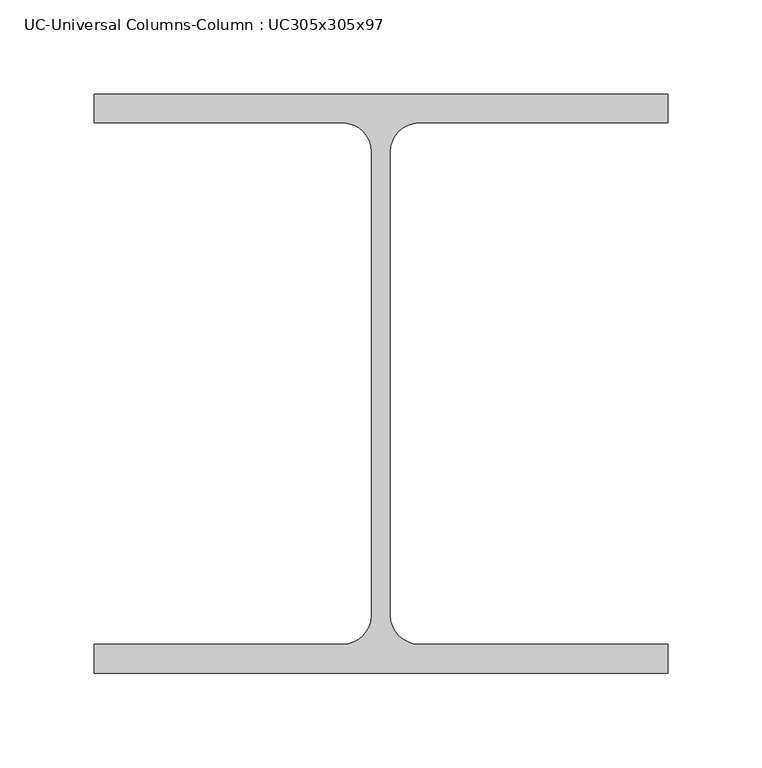
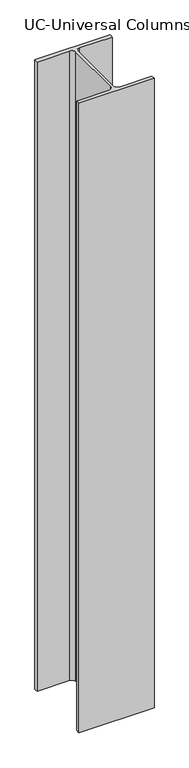
"""IFC4 building model written with IfcOpenShell, lengths in millimetres: column geometry, UC-Universal Columns-Column : UC305x305x97."""

from ifc_helpers import new_model, si_unit, point, frame, frame_2d, origin, place, context, project, spatial, polyline, circle_curve, trimmed, segment, composite_curve, outline, extrude, source, transform, mapped, element, save


def uc_universal_columns_column_uc305x305x97_fd829651(model_context):
    return source(origin(), model_context, "Body", "SweptSolid", [
        extrude(outline(composite_curve([segment(polyline([(152.65, 153.95), (152.65, 138.55), (20.15, 138.55)]), True, "CONTINUOUS"), segment(trimmed(circle_curve(frame_2d((20.15, 123.35)), 15.2), [point((20.15, 138.55))], [point((4.95, 123.35))], True, "CARTESIAN"), True, "CONTINUOUS"), segment(polyline([(4.95, 123.35), (4.95, -123.35)]), True, "CONTINUOUS"), segment(trimmed(circle_curve(frame_2d((20.15, -123.35)), 15.2), [point((4.95, -123.35))], [point((20.15, -138.55))], True, "CARTESIAN"), True, "CONTINUOUS"), segment(polyline([(20.15, -138.55), (152.65, -138.55), (152.65, -153.95), (-152.65, -153.95), (-152.65, -138.55), (-20.15, -138.55)]), True, "CONTINUOUS"), segment(trimmed(circle_curve(frame_2d((-20.15, -123.35)), 15.2), [point((-20.15, -138.55))], [point((-4.95, -123.35))], True, "CARTESIAN"), True, "CONTINUOUS"), segment(polyline([(-4.95, -123.35), (-4.95, 123.35)]), True, "CONTINUOUS"), segment(trimmed(circle_curve(frame_2d((-20.15, 123.35)), 15.2), [point((-4.95, 123.35))], [point((-20.15, 138.55))], True, "CARTESIAN"), True, "CONTINUOUS"), segment(polyline([(-20.15, 138.55), (-152.65, 138.55), (-152.65, 153.95), (152.65, 153.95)]), True, "CONTINUOUS")], self_intersect=False)), frame((0.0, 0.0, 4000.0), z_axis=(0.0, 0.0, 1.0), x_axis=(1.0, 0.0, 0.0)), (0.0, 0.0, 1.0), 2700.0),
    ])


if __name__ == "__main__":
    model = new_model("IFC4")
    model_context = context("Model", 3, world=origin())
    ifc_project = project(units=[si_unit("LENGTHUNIT", "METRE", prefix="MILLI")], contexts=[model_context])
    site = spatial("IfcSite", under=ifc_project)
    building = spatial("IfcBuilding", under=site)
    placement = place(None, origin())
    uc_universal_columns_column_uc305x305x97_shape = uc_universal_columns_column_uc305x305x97_fd829651(model_context)
    element("IfcColumn", 1, ObjectType="UC-Universal Columns-Column : UC305x305x97", at=placement, inside=building, context=model_context, shape_type="MappedRepresentation", body=[
        mapped(uc_universal_columns_column_uc305x305x97_shape, transform((0.0, 0.0, 0.0), x_axis=(1.0, 0.0, 0.0), y_axis=(0.0, 1.0, 0.0), z_axis=(0.0, 0.0, 1.0))),
    ])
    save(model, "model.ifc")
